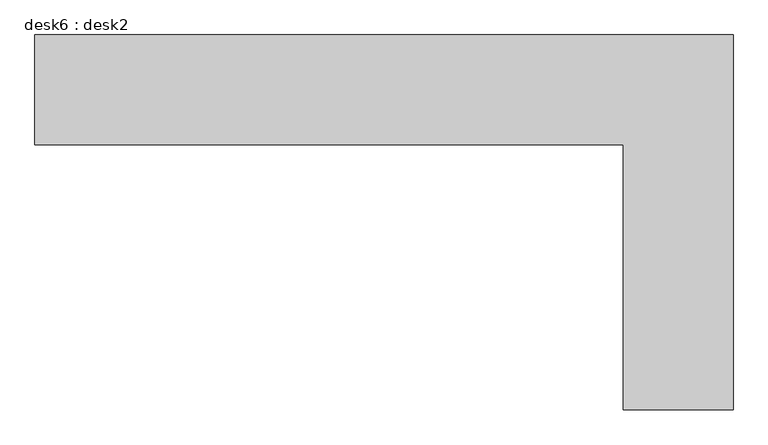
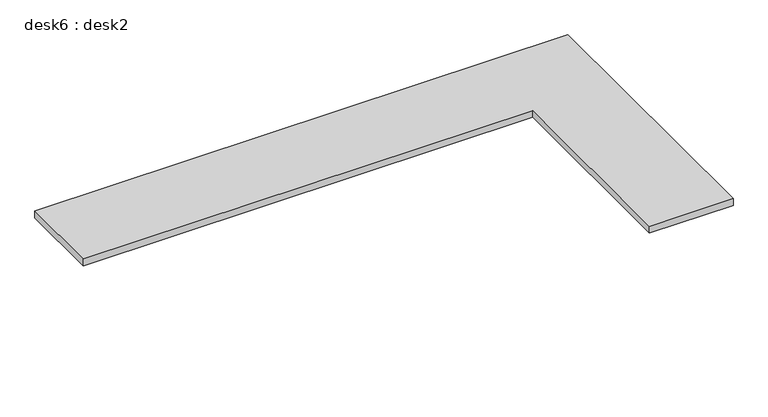
"""IFC4 building model written with IfcOpenShell, lengths in millimetres: furniture geometry, desk6 : desk2."""

import ifcopenshell
import ifcopenshell.guid

model = None  # the IFC model being written
_history = None  # IfcOwnerHistory: only IFC2X3 demands one
_inside = {}  # id of a spatial element -> (the spatial element, [elements in it])
_under = {}  # id of a project, library or spatial element -> (it, [spatial elements below it])
_declared = {}  # id of a project -> (the project, [libraries it declares])
_typed = {}  # id of a type object -> (the type object, [elements of that type])
_made_of = {}  # id of a material, layer set ... -> (it, [elements and type objects made of it])


def new_model(schema):
    """Start an empty IFC model of exactly this schema.

    Asked for "IFC4X3", IfcOpenShell would pick the latest addendum, in which some entities
    have other attributes; the version numbers below select the first issue.
    IFC2X3 requires an IfcOwnerHistory on every rooted entity: one is made here for all.
    """
    global model, _history
    if schema == "IFC4X3":
        model = ifcopenshell.file(schema_version=(4, 3, 0, 0))
    else:
        model = ifcopenshell.file(schema=schema)
    _inside.clear()
    _under.clear()
    _declared.clear()
    _typed.clear()
    _made_of.clear()
    _history = None
    if model.schema == "IFC2X3":
        org = make("IfcOrganization", Name="unknown")
        user = make(
            "IfcPersonAndOrganization",
            ThePerson=make("IfcPerson", FamilyName="unknown"),
            TheOrganization=org,
        )
        app = make(
            "IfcApplication",
            ApplicationDeveloper=org,
            Version="unknown",
            ApplicationFullName="unknown",
            ApplicationIdentifier="unknown",
        )
        _history = make(
            "IfcOwnerHistory",
            OwningUser=user,
            OwningApplication=app,
            ChangeAction="ADDED",
            CreationDate=0,
        )
    return model


def make(cls, **values):
    """One entity of the class cls with the attributes given. An attribute that is None is left unset."""
    return model.create_entity(
        cls, **{name: value for name, value in values.items() if value is not None}
    )


def rooted(cls, **values):
    """An entity with a GlobalId (a new one), such as an element, a storey or a relation."""
    return make(cls, GlobalId=ifcopenshell.guid.new(), OwnerHistory=_history, **values)


def si_unit(unit_type, name, prefix=None):
    """IfcSIUnit, for example si_unit("LENGTHUNIT", "METRE", prefix="MILLI")."""
    return make("IfcSIUnit", UnitType=unit_type, Prefix=prefix, Name=name)


def assignment(units):
    """IfcUnitAssignment: the units of a project."""
    return None if units is None else make("IfcUnitAssignment", Units=units)


def point(xyz):
    """IfcCartesianPoint."""
    return None if xyz is None else make("IfcCartesianPoint", Coordinates=xyz)


def direction(xyz):
    """IfcDirection."""
    return None if xyz is None else make("IfcDirection", DirectionRatios=xyz)


def frame(location, z_axis=None, x_axis=None):
    """IfcAxis2Placement3D, a coordinate frame: its origin and axes. An axis left out is left unset."""
    return make(
        "IfcAxis2Placement3D",
        Location=point(location),
        Axis=direction(z_axis),
        RefDirection=direction(x_axis),
    )


def origin():
    """The frame at (0, 0, 0) with its axes left unset."""
    return frame((0.0, 0.0, 0.0))


def place(relative_to, where):
    """IfcLocalPlacement: puts the frame where relative to a parent placement (None: the world)."""
    return make(
        "IfcLocalPlacement", PlacementRelTo=relative_to, RelativePlacement=where
    )


def context(
    kind, dimensions, precision=None, world=None, true_north=None, identifier=None
):
    """IfcGeometricRepresentationContext, for example the 3D "Model" context."""
    return make(
        "IfcGeometricRepresentationContext",
        ContextIdentifier=identifier,
        ContextType=kind,
        CoordinateSpaceDimension=dimensions,
        Precision=precision,
        WorldCoordinateSystem=world,
        TrueNorth=true_north,
    )


def project(units=None, contexts=None):
    """IfcProject with its units and contexts."""
    return rooted(
        "IfcProject",
        Name="project",
        RepresentationContexts=contexts,
        UnitsInContext=assignment(units),
    )


def spatial(cls, under=None, at=None, **own):
    """A site, building, storey or space (cls), placed at a placement, below another one or the project."""
    s = rooted(cls, ObjectPlacement=at, **own)
    if under is not None:
        _under.setdefault(under.id(), (under, []))[1].append(s)
    return s


def polyline(points):
    """IfcPolyline through the points."""
    return make("IfcPolyline", Points=[point(p) for p in points])


def outline(outer, holes=None, kind="AREA"):
    """IfcArbitraryClosedProfileDef: a profile drawn as a closed curve; with holes, ...WithVoids."""
    if holes is None:
        return make("IfcArbitraryClosedProfileDef", ProfileType=kind, OuterCurve=outer)
    return make(
        "IfcArbitraryProfileDefWithVoids",
        ProfileType=kind,
        OuterCurve=outer,
        InnerCurves=holes,
    )


def extrude(swept, where, along, depth):
    """IfcExtrudedAreaSolid: the profile swept, set in the frame where, extruded along a direction by depth."""
    return make(
        "IfcExtrudedAreaSolid",
        SweptArea=swept,
        Position=where,
        ExtrudedDirection=direction(along),
        Depth=depth,
    )


def shape(context_of_items, identifier, shape_type, items):
    """IfcShapeRepresentation: the items that make up one representation, for example the "Body"."""
    return make(
        "IfcShapeRepresentation",
        ContextOfItems=context_of_items,
        RepresentationIdentifier=identifier,
        RepresentationType=shape_type,
        Items=items,
    )


def source(mapping_origin, context_of_items, identifier, shape_type, items):
    """IfcRepresentationMap: a shape defined once, which mapped items show again and again."""
    return make(
        "IfcRepresentationMap",
        MappingOrigin=mapping_origin,
        MappedRepresentation=shape(context_of_items, identifier, shape_type, items),
    )


def transform(
    local_origin,
    x_axis=None,
    y_axis=None,
    z_axis=None,
    scale=None,
    scale2=None,
    scale3=None,
    uniform=True,
):
    """IfcCartesianTransformationOperator3D, or its non-uniform kind. x_axis, y_axis, z_axis: its Axis1, 2, 3."""
    if uniform:
        return make(
            "IfcCartesianTransformationOperator3D",
            Axis1=direction(x_axis),
            Axis2=direction(y_axis),
            LocalOrigin=point(local_origin),
            Scale=scale,
            Axis3=direction(z_axis),
        )
    return make(
        "IfcCartesianTransformationOperator3DnonUniform",
        Axis1=direction(x_axis),
        Axis2=direction(y_axis),
        LocalOrigin=point(local_origin),
        Scale=scale,
        Axis3=direction(z_axis),
        Scale2=scale2,
        Scale3=scale3,
    )


def mapped(mapping_source, mapping_target):
    """IfcMappedItem: shows the shape of a source again, moved by a transform."""
    return make(
        "IfcMappedItem", MappingSource=mapping_source, MappingTarget=mapping_target
    )


def made_of(thing, what):
    """Note that an element or type object is made of a material, layer set ...; save() writes the relation."""
    if what is not None:
        _made_of.setdefault(what.id(), (what, []))[1].append(thing)
    return thing


def element(
    cls,
    number,
    at=None,
    inside=None,
    cuts=None,
    type_object=None,
    material=None,
    context=None,
    identifier="Body",
    shape_type=None,
    held_by="IfcProductDefinitionShape",
    body=None,
    shapes=None,
    **own,
):
    """One element of the class cls, such as IfcWall. Its Tag is "e" and its number.

    at: its placement. inside: the storey or other place that contains it. cuts: it is an
    opening in that element (IfcRelVoidsElement). A single representation is given by context,
    identifier, shape_type and body (its items); several are given by shapes. held_by: the class
    of the entity that holds the representations. save() writes the other relations.
    """
    e = rooted(cls, Tag="e%d" % number, ObjectPlacement=at, **own)
    if body is not None:
        shapes = [shape(context, identifier, shape_type, body)]
    if shapes is not None:
        e.Representation = make(held_by, Representations=shapes)
    if inside is not None:
        _inside.setdefault(inside.id(), (inside, []))[1].append(e)
    if cuts is not None:
        rooted(
            "IfcRelVoidsElement", RelatingBuildingElement=cuts, RelatedOpeningElement=e
        )
    if type_object is not None:
        _typed.setdefault(type_object.id(), (type_object, []))[1].append(e)
    return made_of(e, material)


def aggregate(whole, parts):
    """IfcRelAggregates: a whole, such as a stair, and the parts it consists of."""
    return rooted("IfcRelAggregates", RelatingObject=whole, RelatedObjects=parts)


def save(model, path):
    """Write the relations noted so far, then the file.

    IfcRelAggregates (storeys below a building ...), IfcRelContainedInSpatialStructure (elements
    in a storey), IfcRelDefinesByType, IfcRelAssociatesMaterial and IfcRelDeclares: one each for
    every whole, place, type object, material and project.
    """
    for whole, parts in _under.values():
        aggregate(whole, parts)
    for where, things in _inside.values():
        rooted(
            "IfcRelContainedInSpatialStructure",
            RelatedElements=things,
            RelatingStructure=where,
        )
    for kind, things in _typed.values():
        rooted("IfcRelDefinesByType", RelatedObjects=things, RelatingType=kind)
    for what, things in _made_of.values():
        rooted("IfcRelAssociatesMaterial", RelatedObjects=things, RelatingMaterial=what)
    for by, libraries in _declared.values():
        rooted("IfcRelDeclares", RelatingContext=by, RelatedDefinitions=libraries)
    model.write(path)


def desk6_desk2_c1a69b35(model_context):
    return source(origin(), model_context, "Body", "SweptSolid", [
        extrude(outline(polyline([(-109029.4318038, -13833.4646139), (-109029.4318038, -13223.8646139), (-105148.6035142, -13223.8646139), (-105148.6035142, -15306.6646139), (-105758.2035142, -15306.6646139), (-105758.2035142, -13833.4646139), (-109029.4318038, -13833.4646139)])), frame((0.0, 0.0, 762.0), z_axis=(0.0, 0.0, 1.0), x_axis=(1.0, 0.0, 0.0)), (0.0, 0.0, 1.0), 50.8),
    ])


if __name__ == "__main__":
    model = new_model("IFC4")
    model_context = context("Model", 3, world=origin())
    ifc_project = project(units=[si_unit("LENGTHUNIT", "METRE", prefix="MILLI")], contexts=[model_context])
    site = spatial("IfcSite", under=ifc_project)
    building = spatial("IfcBuilding", under=site)
    placement = place(None, origin())
    desk6_desk2_shape = desk6_desk2_c1a69b35(model_context)
    element("IfcFurniture", 1, ObjectType="desk6 : desk2", at=placement, inside=building, context=model_context, shape_type="MappedRepresentation", body=[
        mapped(desk6_desk2_shape, transform((0.0, 0.0, 0.0), x_axis=(1.0, 0.0, 0.0), y_axis=(0.0, 1.0, 0.0), z_axis=(0.0, 0.0, 1.0))),
    ])
    save(model, "model.ifc")
